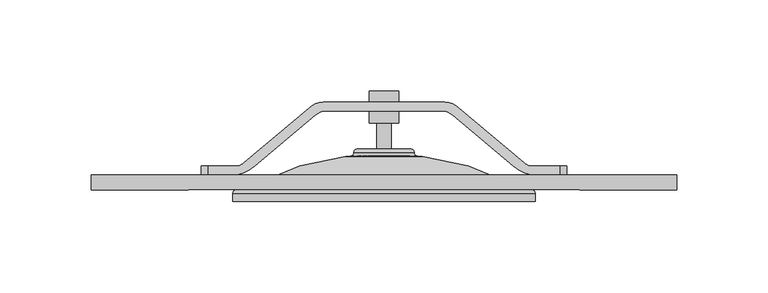
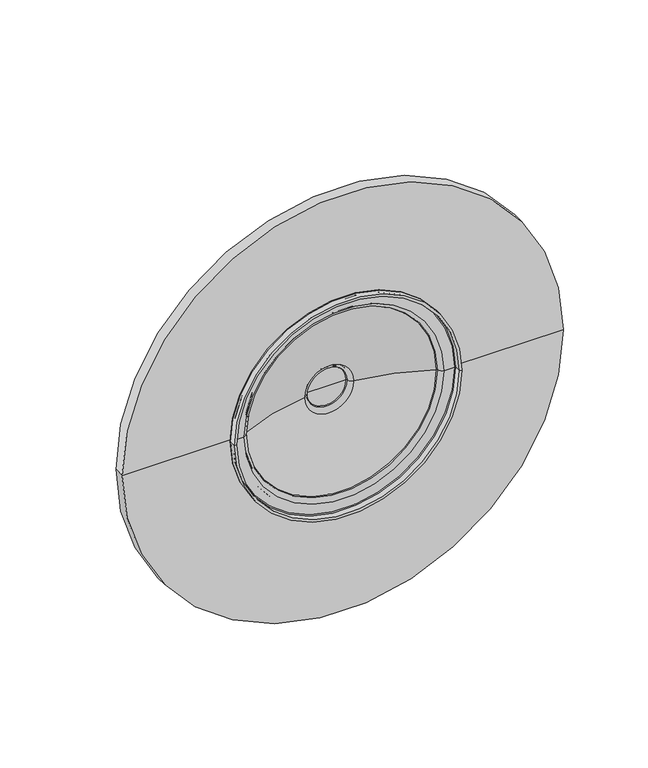
"""IFC4 building model written with IfcOpenShell, lengths in millimetres: proxy geometry."""

from ifc_helpers import new_model, si_unit, point, frame, origin, place, context, project, spatial, polyline, circle_curve, ellipse_curve, trimmed, source, transform, mapped, element, save
from ifc_brep_helpers import plane_surface, cylinder_surface, revolved_surface, advanced_brep


def mechanical_equipment_0198ac86(model_context):
    return source(origin(), model_context, "Body", "AdvancedBrep", [
        advanced_brep(
        [(44.3795006, 108.0, 2510.0), (54.2298211, 113.0, 2510.0), (87.44309, 140.8692417, 2510.0), (91.8102497, 143.0, 2510.0), (125.0, 143.0, 2510.0), (158.1897503, 143.0, 2510.0), (162.55691, 140.8692417, 2510.0), (195.7701789, 113.0, 2510.0), (205.6204994, 108.0, 2510.0), (221.2200072, 108.0, 2510.0), (221.2200072, 113.0, 2510.0), (205.6204994, 113.0, 2510.0), (201.5540671, 114.8851429, 2510.0), (165.874925, 144.8234979, 2510.0), (158.1897503, 148.0, 2510.0), (125.0, 148.0, 2510.0), (91.8102497, 148.0, 2510.0), (84.125075, 144.8234979, 2510.0), (48.4459329, 114.8851429, 2510.0), (44.3795006, 113.0, 2510.0), (28.7799928, 113.0, 2510.0), (28.7799928, 108.0, 2510.0), (44.3795006, 113.0, 2490.0), (48.4459329, 114.8851429, 2490.0), (84.125075, 144.8234979, 2490.0), (91.8102497, 148.0, 2490.0), (125.0, 148.0, 2490.0), (158.1897503, 148.0, 2490.0), (165.874925, 144.8234979, 2490.0), (201.5540671, 114.8851429, 2490.0), (205.6204994, 113.0, 2490.0), (221.2200072, 113.0, 2490.0), (221.2200072, 108.0, 2490.0), (205.6204994, 108.0, 2490.0), (195.7701789, 113.0, 2490.0), (162.55691, 140.8692417, 2490.0), (158.1897503, 143.0, 2490.0), (125.0, 143.0, 2490.0), (91.8102497, 143.0, 2490.0), (87.44309, 140.8692417, 2490.0), (54.2298211, 113.0, 2490.0), (44.3795006, 108.0, 2490.0), (28.7799928, 108.0, 2490.0), (28.7799928, 113.0, 2490.0), (25.0, 108.0, 2506.2200072), (25.0, 108.0, 2493.7799928), (225.0, 108.0, 2493.7799928), (225.0, 108.0, 2506.2200072), (225.0, 113.0, 2493.7799928), (225.0, 113.0, 2506.2200072), (25.0, 113.0, 2493.7799928), (25.0, 113.0, 2506.2200072)],
        [
            (0, 1, circle_curve(frame((38.5511411, 131.6851233, 2510.0), z_axis=(0.0, 0.0, 1.0), x_axis=(1.0, 0.0, 0.0)), 24.3916961)),
            (1, 2),
            (2, 3, circle_curve(frame((93.9022065, 133.1715663, 2510.0), z_axis=(0.0, 0.0, -1.0), x_axis=(1.0, 0.0, 0.0)), 10.0486015)),
            (3, 4),
            (4, 5),
            (5, 6, circle_curve(frame((156.0977935, 133.1715663, 2510.0), z_axis=(0.0, 0.0, -1.0), x_axis=(-1.0, 0.0, 0.0)), 10.0486015)),
            (6, 7),
            (7, 8, circle_curve(frame((211.4488589, 131.6851233, 2510.0), z_axis=(0.0, 0.0, 1.0), x_axis=(-1.0, 0.0, 0.0)), 24.3916961)),
            (8, 9),
            (9, 10),
            (10, 11),
            (11, 12, circle_curve(frame((205.6204994, 118.3284116, 2510.0), z_axis=(0.0, 0.0, -1.0), x_axis=(-1.0, 0.0, 0.0)), 5.3284116)),
            (12, 13),
            (13, 14, circle_curve(frame((158.1897503, 137.115059, 2510.0), z_axis=(0.0, 0.0, 1.0), x_axis=(-1.0, 0.0, 0.0)), 10.884941)),
            (14, 15),
            (15, 16),
            (16, 17, circle_curve(frame((91.8102497, 137.115059, 2510.0), z_axis=(0.0, 0.0, 1.0), x_axis=(1.0, 0.0, 0.0)), 10.884941)),
            (17, 18),
            (18, 19, circle_curve(frame((44.3795006, 118.3284116, 2510.0), z_axis=(0.0, 0.0, -1.0), x_axis=(1.0, 0.0, 0.0)), 5.3284116)),
            (19, 20),
            (20, 21),
            (21, 0),
            (22, 23, circle_curve(frame((44.3795006, 118.3284116, 2490.0), z_axis=(0.0, 0.0, 1.0), x_axis=(1.0, 0.0, 0.0)), 5.3284116)),
            (23, 24),
            (24, 25, circle_curve(frame((91.8102497, 137.115059, 2490.0), z_axis=(0.0, 0.0, -1.0), x_axis=(1.0, 0.0, 0.0)), 10.884941)),
            (25, 26),
            (26, 27),
            (27, 28, circle_curve(frame((158.1897503, 137.115059, 2490.0), z_axis=(0.0, 0.0, -1.0), x_axis=(-1.0, 0.0, 0.0)), 10.884941)),
            (28, 29),
            (29, 30, circle_curve(frame((205.6204994, 118.3284116, 2490.0), z_axis=(0.0, 0.0, 1.0), x_axis=(-1.0, 0.0, 0.0)), 5.3284116)),
            (30, 31),
            (31, 32),
            (32, 33),
            (33, 34, circle_curve(frame((211.4488589, 131.6851233, 2490.0), z_axis=(0.0, 0.0, -1.0), x_axis=(-1.0, 0.0, 0.0)), 24.3916961)),
            (34, 35),
            (35, 36, circle_curve(frame((156.0977935, 133.1715663, 2490.0), z_axis=(0.0, 0.0, 1.0), x_axis=(-1.0, 0.0, 0.0)), 10.0486015)),
            (36, 37),
            (37, 38),
            (38, 39, circle_curve(frame((93.9022065, 133.1715663, 2490.0), z_axis=(0.0, 0.0, 1.0), x_axis=(1.0, 0.0, 0.0)), 10.0486015)),
            (39, 40),
            (40, 41, circle_curve(frame((38.5511411, 131.6851233, 2490.0), z_axis=(0.0, 0.0, -1.0), x_axis=(1.0, 0.0, 0.0)), 24.3916961)),
            (41, 42),
            (42, 43),
            (43, 22),
            (41, 0),
            (21, 44, circle_curve(frame((28.7799928, 108.0, 2506.2200072), z_axis=(0.0, -1.0, 0.0), x_axis=(1.0, 0.0, 0.0)), 3.7799928)),
            (44, 45),
            (45, 42, circle_curve(frame((28.7799928, 108.0, 2493.7799928), z_axis=(0.0, -1.0, 0.0), x_axis=(1.0, 0.0, 0.0)), 3.7799928)),
            (40, 1),
            (39, 2),
            (38, 3),
            (37, 4),
            (36, 5),
            (35, 6),
            (34, 7),
            (33, 8),
            (32, 46, circle_curve(frame((221.2200072, 108.0, 2493.7799928), z_axis=(0.0, -1.0, 0.0), x_axis=(-1.0, 0.0, 0.0)), 3.7799928)),
            (46, 47),
            (47, 9, circle_curve(frame((221.2200072, 108.0, 2506.2200072), z_axis=(0.0, -1.0, 0.0), x_axis=(-1.0, 0.0, 0.0)), 3.7799928)),
            (46, 48),
            (48, 49),
            (49, 47),
            (30, 11),
            (10, 49, circle_curve(frame((221.2200072, 113.0, 2506.2200072), z_axis=(0.0, 1.0, 0.0), x_axis=(-1.0, 0.0, 0.0)), 3.7799928)),
            (48, 31, circle_curve(frame((221.2200072, 113.0, 2493.7799928), z_axis=(0.0, 1.0, 0.0), x_axis=(-1.0, 0.0, 0.0)), 3.7799928)),
            (29, 12),
            (28, 13),
            (27, 14),
            (26, 15),
            (25, 16),
            (24, 17),
            (23, 18),
            (22, 19),
            (43, 50, circle_curve(frame((28.7799928, 113.0, 2493.7799928), z_axis=(0.0, 1.0, 0.0), x_axis=(1.0, 0.0, 0.0)), 3.7799928)),
            (50, 51),
            (51, 20, circle_curve(frame((28.7799928, 113.0, 2506.2200072), z_axis=(0.0, 1.0, 0.0), x_axis=(1.0, 0.0, 0.0)), 3.7799928)),
            (44, 51),
            (50, 45),
        ],
        [
            plane_surface(frame((25.0, 108.0, 2510.0), z_axis=(0.0, 0.0, 1.0), x_axis=(1.0, 0.0, 0.0))),
            plane_surface(frame((25.0, 108.0, 2490.0), z_axis=(0.0, 0.0, -1.0), x_axis=(-1.0, 0.0, 0.0))),
            plane_surface(frame((25.0, 108.0, 2510.0), z_axis=(0.0, -1.0, 0.0), x_axis=(0.0, 0.0, -1.0))),
            cylinder_surface(frame((38.5511411, 131.6851233, 2490.0), z_axis=(0.0, 0.0, 1.0), x_axis=(1.0, 0.0, 0.0)), 24.3916961),
            plane_surface(frame((54.2298211, 113.0, 2510.0), z_axis=(0.6427876096865391, -0.7660444431189783, 0.0), x_axis=(0.0, 0.0, -1.0))),
            revolved_surface(polyline([(103.95080800000001, 133.1715663, 2490.0), (103.95080800000001, 133.1715663, 2510.0)]), (93.9022065, 133.1715663, 2490.0), (0.0, 0.0, -1.0)),
            plane_surface(frame((91.8102497, 143.0, 2510.0), z_axis=(0.0, -1.0, 0.0), x_axis=(0.0, 0.0, -1.0))),
            plane_surface(frame((125.0, 143.0, 2510.0), z_axis=(0.0, -1.0, 0.0), x_axis=(0.0, 0.0, -1.0))),
            revolved_surface(polyline([(146.049192, 133.1715663, 2490.0), (146.049192, 133.1715663, 2510.0)]), (156.0977935, 133.1715663, 2490.0), (0.0, 0.0, -1.0)),
            plane_surface(frame((162.55691, 140.8692417, 2510.0), z_axis=(-0.6427876096865387, -0.7660444431189786, 0.0), x_axis=(0.0, 0.0, -1.0))),
            cylinder_surface(frame((211.4488589, 131.6851233, 2490.0), z_axis=(0.0, 0.0, 1.0), x_axis=(-1.0, 0.0, 0.0)), 24.3916961),
            plane_surface(frame((205.6204994, 108.0, 2510.0), z_axis=(0.0, -1.0, 0.0), x_axis=(0.0, 0.0, -1.0))),
            plane_surface(frame((225.0, 108.0, 2510.0), z_axis=(1.0, 0.0, 0.0), x_axis=(0.0, 0.0, -1.0))),
            plane_surface(frame((225.0, 113.0, 2510.0), z_axis=(0.0, 1.0, 0.0), x_axis=(0.0, 0.0, -1.0))),
            revolved_surface(polyline([(200.2920878, 118.3284116, 2490.0), (200.2920878, 118.3284116, 2510.0)]), (205.6204994, 118.3284116, 2490.0), (0.0, 0.0, -1.0)),
            plane_surface(frame((201.5540671, 114.8851429, 2510.0), z_axis=(0.6427876096865414, 0.7660444431189763, 0.0), x_axis=(0.0, 0.0, -1.0))),
            cylinder_surface(frame((158.1897503, 137.115059, 2490.0), z_axis=(0.0, 0.0, 1.0), x_axis=(-1.0, 0.0, 0.0)), 10.884941),
            plane_surface(frame((158.1897503, 148.0, 2510.0), z_axis=(0.0, 1.0, 0.0), x_axis=(0.0, 0.0, -1.0))),
            plane_surface(frame((125.0, 148.0, 2510.0), z_axis=(0.0, 1.0, 0.0), x_axis=(0.0, 0.0, -1.0))),
            cylinder_surface(frame((91.8102497, 137.115059, 2490.0), z_axis=(0.0, 0.0, 1.0), x_axis=(1.0, 0.0, 0.0)), 10.884941),
            plane_surface(frame((84.125075, 144.8234979, 2510.0), z_axis=(-0.6427876096865359, 0.766044443118981, 0.0), x_axis=(0.0, 0.0, -1.0))),
            revolved_surface(polyline([(49.7079122, 118.3284116, 2490.0), (49.7079122, 118.3284116, 2510.0)]), (44.3795006, 118.3284116, 2490.0), (0.0, 0.0, -1.0)),
            plane_surface(frame((44.3795006, 113.0, 2510.0), z_axis=(0.0, 1.0, 0.0), x_axis=(0.0, 0.0, -1.0))),
            plane_surface(frame((25.0, 113.0, 2510.0), z_axis=(-1.0, 0.0, 0.0), x_axis=(0.0, 0.0, -1.0))),
            cylinder_surface(frame((28.7799928, 108.0, 2493.7799928), z_axis=(0.0, -1.0, 0.0), x_axis=(1.0, 0.0, 0.0)), 3.7799928),
            cylinder_surface(frame((28.7799928, 93.5, 2506.2200072), z_axis=(0.0, -1.0, 0.0), x_axis=(1.0, 0.0, 0.0)), 3.7799928),
            cylinder_surface(frame((221.2200072, 93.5, 2493.7799928), z_axis=(0.0, -1.0, 0.0), x_axis=(-1.0, 0.0, 0.0)), 3.7799928),
            cylinder_surface(frame((221.2200072, 93.5, 2506.2200072), z_axis=(0.0, -1.0, 0.0), x_axis=(-1.0, 0.0, 0.0)), 3.7799928),
        ],
        [
            (0, [[1, 2, 3, 4, 5, 6, 7, 8, 9, 10, 11, 12, 13, 14, 15, 16, 17, 18, 19, 20, 21, 22]]),
            (1, [[23, 24, 25, 26, 27, 28, 29, 30, 31, 32, 33, 34, 35, 36, 37, 38, 39, 40, 41, 42, 43, 44]]),
            (2, [[45, -22, 46, 47, 48, -42]]),
            (3, [[-1, -45, -41, 49]]),
            (4, [[-2, -49, -40, 50]]),
            (5, [[-3, -50, -39, 51]]),
            (6, [[-4, -51, -38, 52]]),
            (7, [[-5, -52, -37, 53]]),
            (8, [[-6, -53, -36, 54]]),
            (9, [[-7, -54, -35, 55]]),
            (10, [[-8, -55, -34, 56]]),
            (11, [[-56, -33, 57, 58, 59, -9]]),
            (12, [[-58, 60, 61, 62]]),
            (13, [[63, -11, 64, -61, 65, -31]]),
            (14, [[-12, -63, -30, 66]]),
            (15, [[-13, -66, -29, 67]]),
            (16, [[-14, -67, -28, 68]]),
            (17, [[-15, -68, -27, 69]]),
            (18, [[-16, -69, -26, 70]]),
            (19, [[-17, -70, -25, 71]]),
            (20, [[-18, -71, -24, 72]]),
            (21, [[-19, -72, -23, 73]]),
            (22, [[-73, -44, 74, 75, 76, -20]]),
            (23, [[-47, 77, -75, 78]]),
            (24, [[-43, -48, -78, -74]]),
            (25, [[-21, -76, -77, -46]]),
            (26, [[-32, -65, -60, -57]]),
            (27, [[-10, -59, -62, -64]]),
        ],
    ),
        advanced_brep(
        [(207.7271571, 93.5, 2500.0), (42.2728429, 93.5, 2500.0), (42.2728429, 97.7728429, 2500.0), (207.7271571, 97.7728429, 2500.0), (205.9367462, 93.5, 2500.0), (44.0632538, 93.5, 2500.0), (205.9367462, 97.9071057, 2500.0), (44.0632538, 97.9071057, 2500.0), (205.3438519, 98.5, 2500.0), (44.6561481, 98.5, 2500.0), (197.7785514, 98.5, 2500.0), (52.2214486, 98.5, 2500.0), (194.5390342, 101.1233093, 2500.0), (55.4609658, 101.1233093, 2500.0), (194.110594, 101.9290881, 2500.0), (55.889406, 101.9290881, 2500.0), (143.1174907, 117.056758, 2500.0), (106.8825093, 117.056758, 2500.0), (139.9690463, 120.2052024, 2500.0), (110.0309537, 120.2052024, 2500.0), (139.3942487, 120.78, 2500.0), (110.6057513, 120.78, 2500.0), (125.0, 120.78, 2500.0), (139.6388233, 122.2731901, 2500.0), (110.3611767, 122.2731901, 2500.0), (120.9566338, 122.2731901, 2500.0), (129.0433662, 122.2731901, 2500.0), (141.5029828, 120.4090307, 2500.0), (108.4970172, 120.4090307, 2500.0), (143.1991524, 118.522856, 2500.0), (106.8008476, 118.522856, 2500.0), (145.9642188, 118.2410596, 2500.0), (104.0357812, 118.2410596, 2500.0), (194.877574, 103.206216, 2500.0), (55.122426, 103.206216, 2500.0), (196.1038029, 101.6367146, 2500.0), (53.8961971, 101.6367146, 2500.0), (198.0543634, 100.0, 2500.0), (51.9456366, 100.0, 2500.0), (200.0, 100.0, 2500.0), (50.0, 100.0, 2500.0), (200.0, 108.0, 2500.0), (50.0, 108.0, 2500.0), (285.0, 108.0, 2500.0), (-35.0, 108.0, 2500.0), (285.0, 100.0, 2500.0), (-35.0, 100.0, 2500.0), (205.5, 100.0, 2500.0), (44.5, 100.0, 2500.0), (133.0867323, 136.6576943, 2500.0), (116.9132677, 136.6576943, 2500.0), (116.9132677, 153.9, 2500.0), (133.0867323, 153.9, 2500.0), (129.0433662, 136.6576943, 2500.0), (120.9566338, 136.6576943, 2500.0), (125.0, 153.9, 2500.0)],
        [
            (0, 1, circle_curve(frame((125.0, 93.5, 2500.0), z_axis=(0.0, 1.0, 0.0), x_axis=(-1.0, 0.0, 0.0)), 82.7271571)),
            (1, 2),
            (2, 3, circle_curve(frame((125.0, 97.7728429, 2500.0), z_axis=(0.0, -1.0, 0.0), x_axis=(-1.0, 0.0, 0.0)), 82.7271571)),
            (3, 0),
            (1, 0, circle_curve(frame((125.0, 93.5, 2500.0), z_axis=(0.0, 1.0, 0.0), x_axis=(-1.0, 0.0, 0.0)), 82.7271571)),
            (3, 2, circle_curve(frame((125.0, 97.7728429, 2500.0), z_axis=(0.0, -1.0, 0.0), x_axis=(-1.0, 0.0, 0.0)), 82.7271571)),
            (0, 4),
            (4, 5, circle_curve(frame((125.0, 93.5, 2500.0), z_axis=(0.0, 1.0, 0.0), x_axis=(-1.0, 0.0, 0.0)), 80.9367462)),
            (5, 1),
            (5, 4, circle_curve(frame((125.0, 93.5, 2500.0), z_axis=(0.0, 1.0, 0.0), x_axis=(-1.0, 0.0, 0.0)), 80.9367462)),
            (4, 6),
            (6, 7, circle_curve(frame((125.0, 97.9071057, 2500.0), z_axis=(0.0, 1.0, 0.0), x_axis=(-1.0, 0.0, 0.0)), 80.9367462)),
            (7, 5),
            (7, 6, circle_curve(frame((125.0, 97.9071057, 2500.0), z_axis=(0.0, 1.0, 0.0), x_axis=(-1.0, 0.0, 0.0)), 80.9367462)),
            (6, 8, circle_curve(frame((205.3438519, 97.9071057, 2500.0), z_axis=(0.0, 0.0, 1.0), x_axis=(-1.0, 0.0, 0.0)), 0.5928943)),
            (8, 9, circle_curve(frame((125.0, 98.5, 2500.0), z_axis=(0.0, 1.0, 0.0), x_axis=(-1.0, 0.0, 0.0)), 80.3438519)),
            (9, 7, circle_curve(frame((44.6561481, 97.9071057, 2500.0), z_axis=(0.0, 0.0, 1.0), x_axis=(1.0, 0.0, 0.0)), 0.5928943)),
            (9, 8, circle_curve(frame((125.0, 98.5, 2500.0), z_axis=(0.0, 1.0, 0.0), x_axis=(-1.0, 0.0, 0.0)), 80.3438519)),
            (8, 10),
            (10, 11, circle_curve(frame((125.0, 98.5, 2500.0), z_axis=(0.0, 1.0, 0.0), x_axis=(-1.0, 0.0, 0.0)), 72.7785514)),
            (11, 9),
            (11, 10, circle_curve(frame((125.0, 98.5, 2500.0), z_axis=(0.0, 1.0, 0.0), x_axis=(-1.0, 0.0, 0.0)), 72.7785514)),
            (10, 12, circle_curve(frame((197.9467336, 102.0195777, 2500.0), z_axis=(0.0, 0.0, -1.0), x_axis=(-1.0, 0.0, 0.0)), 3.5235937)),
            (12, 13, circle_curve(frame((125.0, 101.1233093, 2500.0), z_axis=(0.0, 1.0, 0.0), x_axis=(-1.0, 0.0, 0.0)), 69.5390342)),
            (13, 11, circle_curve(frame((52.0532664, 102.0195777, 2500.0), z_axis=(0.0, 0.0, -1.0), x_axis=(1.0, 0.0, 0.0)), 3.5235937)),
            (13, 12, circle_curve(frame((125.0, 101.1233093, 2500.0), z_axis=(0.0, 1.0, 0.0), x_axis=(-1.0, 0.0, 0.0)), 69.5390342)),
            (12, 14, circle_curve(frame((193.7458269, 101.2183458, 2500.0), z_axis=(0.0, 0.0, 1.0), x_axis=(-1.0, 0.0, 0.0)), 0.7988803)),
            (14, 15, circle_curve(frame((125.0, 101.9290881, 2500.0), z_axis=(0.0, 1.0, 0.0), x_axis=(-1.0, 0.0, 0.0)), 69.110594)),
            (15, 13, circle_curve(frame((56.2541731, 101.2183458, 2500.0), z_axis=(0.0, 0.0, 1.0), x_axis=(1.0, 0.0, 0.0)), 0.7988803)),
            (15, 14, circle_curve(frame((125.0, 101.9290881, 2500.0), z_axis=(0.0, 1.0, 0.0), x_axis=(-1.0, 0.0, 0.0)), 69.110594)),
            (14, 16, circle_curve(frame((128.3688639, -26.1675298, 2500.0), z_axis=(0.0, 0.0, 1.0), x_axis=(-1.0, 0.0, 0.0)), 143.9816606)),
            (16, 17, circle_curve(frame((125.0, 117.056758, 2500.0), z_axis=(0.0, 1.0, 0.0), x_axis=(-1.0, 0.0, 0.0)), 18.1174907)),
            (17, 15, circle_curve(frame((121.6311361, -26.1675298, 2500.0), z_axis=(0.0, 0.0, 1.0), x_axis=(1.0, 0.0, 0.0)), 143.9816606)),
            (17, 16, circle_curve(frame((125.0, 117.056758, 2500.0), z_axis=(0.0, 1.0, 0.0), x_axis=(-1.0, 0.0, 0.0)), 18.1174907)),
            (16, 18, circle_curve(frame((143.1174907, 120.2052024, 2500.0), z_axis=(0.0, 0.0, -1.0), x_axis=(-1.0, 0.0, 0.0)), 3.1484444)),
            (18, 19, circle_curve(frame((125.0, 120.2052024, 2500.0), z_axis=(0.0, 1.0, 0.0), x_axis=(-1.0, 0.0, 0.0)), 14.9690463)),
            (19, 17, circle_curve(frame((106.8825093, 120.2052024, 2500.0), z_axis=(0.0, 0.0, -1.0), x_axis=(1.0, 0.0, 0.0)), 3.1484444)),
            (19, 18, circle_curve(frame((125.0, 120.2052024, 2500.0), z_axis=(0.0, 1.0, 0.0), x_axis=(-1.0, 0.0, 0.0)), 14.9690463)),
            (18, 20, circle_curve(frame((139.3942487, 120.2052024, 2500.0), z_axis=(0.0, 0.0, 1.0), x_axis=(-1.0, 0.0, 0.0)), 0.5747976)),
            (20, 21, circle_curve(frame((125.0, 120.78, 2500.0), z_axis=(0.0, 1.0, 0.0), x_axis=(-1.0, 0.0, 0.0)), 14.3942487)),
            (21, 19, circle_curve(frame((110.6057513, 120.2052024, 2500.0), z_axis=(0.0, 0.0, 1.0), x_axis=(1.0, 0.0, 0.0)), 0.5747976)),
            (21, 20, circle_curve(frame((125.0, 120.78, 2500.0), z_axis=(0.0, 1.0, 0.0), x_axis=(-1.0, 0.0, 0.0)), 14.3942487)),
            (20, 22),
            (22, 21),
            (23, 24, circle_curve(frame((125.0, 122.2731901, 2500.0), z_axis=(0.0, 1.0, 0.0), x_axis=(-1.0, 0.0, 0.0)), 14.6388233)),
            (24, 25),
            (25, 26, circle_curve(frame((125.0, 122.2731901, 2500.0), z_axis=(0.0, -1.0, 0.0), x_axis=(-1.0, 0.0, 0.0)), 4.0433662)),
            (26, 23),
            (24, 23, circle_curve(frame((125.0, 122.2731901, 2500.0), z_axis=(0.0, 1.0, 0.0), x_axis=(-1.0, 0.0, 0.0)), 14.6388233)),
            (26, 25, circle_curve(frame((125.0, 122.2731901, 2500.0), z_axis=(0.0, -1.0, 0.0), x_axis=(-1.0, 0.0, 0.0)), 4.0433662)),
            (23, 27, circle_curve(frame((139.6388233, 120.4090307, 2500.0), z_axis=(0.0, 0.0, -1.0), x_axis=(-1.0, 0.0, 0.0)), 1.8641595)),
            (27, 28, circle_curve(frame((125.0, 120.4090307, 2500.0), z_axis=(0.0, 1.0, 0.0), x_axis=(-1.0, 0.0, 0.0)), 16.5029828)),
            (28, 24, circle_curve(frame((110.3611767, 120.4090307, 2500.0), z_axis=(0.0, 0.0, -1.0), x_axis=(1.0, 0.0, 0.0)), 1.8641595)),
            (28, 27, circle_curve(frame((125.0, 120.4090307, 2500.0), z_axis=(0.0, 1.0, 0.0), x_axis=(-1.0, 0.0, 0.0)), 16.5029828)),
            (27, 29, circle_curve(frame((143.3997997, 120.4090307, 2500.0), z_axis=(0.0, 0.0, 1.0), x_axis=(-1.0, 0.0, 0.0)), 1.8968169)),
            (29, 30, circle_curve(frame((125.0, 118.522856, 2500.0), z_axis=(0.0, 1.0, 0.0), x_axis=(-1.0, 0.0, 0.0)), 18.1991524)),
            (30, 28, circle_curve(frame((106.6002003, 120.4090307, 2500.0), z_axis=(0.0, 0.0, 1.0), x_axis=(1.0, 0.0, 0.0)), 1.8968169)),
            (30, 29, circle_curve(frame((125.0, 118.522856, 2500.0), z_axis=(0.0, 1.0, 0.0), x_axis=(-1.0, 0.0, 0.0)), 18.1991524)),
            (29, 31, circle_curve(frame((176.4809645, 431.386753, 2500.0), z_axis=(0.0, 0.0, 1.0), x_axis=(-1.0, 0.0, 0.0)), 314.6291421)),
            (31, 32, circle_curve(frame((125.0, 118.2410596, 2500.0), z_axis=(0.0, 1.0, 0.0), x_axis=(-1.0, 0.0, 0.0)), 20.9642188)),
            (32, 30, circle_curve(frame((73.5190355, 431.386753, 2500.0), z_axis=(0.0, 0.0, 1.0), x_axis=(1.0, 0.0, 0.0)), 314.6291421)),
            (32, 31, circle_curve(frame((125.0, 118.2410596, 2500.0), z_axis=(0.0, 1.0, 0.0), x_axis=(-1.0, 0.0, 0.0)), 20.9642188)),
            (31, 33, circle_curve(frame((131.9555378, -14.4169888, 2500.0), z_axis=(0.0, 0.0, -1.0), x_axis=(-1.0, 0.0, 0.0)), 133.3956557)),
            (33, 34, circle_curve(frame((125.0, 103.206216, 2500.0), z_axis=(0.0, 1.0, 0.0), x_axis=(-1.0, 0.0, 0.0)), 69.877574)),
            (34, 32, circle_curve(frame((118.0444622, -14.4169888, 2500.0), z_axis=(0.0, 0.0, -1.0), x_axis=(1.0, 0.0, 0.0)), 133.3956557)),
            (34, 33, circle_curve(frame((125.0, 103.206216, 2500.0), z_axis=(0.0, 1.0, 0.0), x_axis=(-1.0, 0.0, 0.0)), 69.877574)),
            (33, 35, circle_curve(frame((194.0147871, 101.2683648, 2500.0), z_axis=(0.0, 0.0, -1.0), x_axis=(-1.0, 0.0, 0.0)), 2.1212422)),
            (35, 36, circle_curve(frame((125.0, 101.6367146, 2500.0), z_axis=(0.0, 1.0, 0.0), x_axis=(-1.0, 0.0, 0.0)), 71.1038029)),
            (36, 34, circle_curve(frame((55.9852129, 101.2683648, 2500.0), z_axis=(0.0, 0.0, -1.0), x_axis=(1.0, 0.0, 0.0)), 2.1212422)),
            (36, 35, circle_curve(frame((125.0, 101.6367146, 2500.0), z_axis=(0.0, 1.0, 0.0), x_axis=(-1.0, 0.0, 0.0)), 71.1038029)),
            (35, 37, circle_curve(frame((198.0543634, 101.9806511, 2500.0), z_axis=(0.0, 0.0, 1.0), x_axis=(-1.0, 0.0, 0.0)), 1.9806511)),
            (37, 38, circle_curve(frame((125.0, 100.0, 2500.0), z_axis=(0.0, 1.0, 0.0), x_axis=(-1.0, 0.0, 0.0)), 73.0543634)),
            (38, 36, circle_curve(frame((51.9456366, 101.9806511, 2500.0), z_axis=(0.0, 0.0, 1.0), x_axis=(1.0, 0.0, 0.0)), 1.9806511)),
            (38, 37, circle_curve(frame((125.0, 100.0, 2500.0), z_axis=(0.0, 1.0, 0.0), x_axis=(-1.0, 0.0, 0.0)), 73.0543634)),
            (37, 39),
            (39, 40, circle_curve(frame((125.0, 100.0, 2500.0), z_axis=(0.0, 1.0, 0.0), x_axis=(-1.0, 0.0, 0.0)), 75.0)),
            (40, 38),
            (40, 39, circle_curve(frame((125.0, 100.0, 2500.0), z_axis=(0.0, 1.0, 0.0), x_axis=(-1.0, 0.0, 0.0)), 75.0)),
            (39, 41),
            (41, 42, circle_curve(frame((125.0, 108.0, 2500.0), z_axis=(0.0, 1.0, 0.0), x_axis=(-1.0, 0.0, 0.0)), 75.0)),
            (42, 40),
            (42, 41, circle_curve(frame((125.0, 108.0, 2500.0), z_axis=(0.0, 1.0, 0.0), x_axis=(-1.0, 0.0, 0.0)), 75.0)),
            (41, 43),
            (43, 44, circle_curve(frame((125.0, 108.0, 2500.0), z_axis=(0.0, 1.0, 0.0), x_axis=(-1.0, 0.0, 0.0)), 160.0)),
            (44, 42),
            (44, 43, circle_curve(frame((125.0, 108.0, 2500.0), z_axis=(0.0, 1.0, 0.0), x_axis=(-1.0, 0.0, 0.0)), 160.0)),
            (43, 45),
            (45, 46, circle_curve(frame((125.0, 100.0, 2500.0), z_axis=(0.0, 1.0, 0.0), x_axis=(-1.0, 0.0, 0.0)), 160.0)),
            (46, 44),
            (46, 45, circle_curve(frame((125.0, 100.0, 2500.0), z_axis=(0.0, 1.0, 0.0), x_axis=(-1.0, 0.0, 0.0)), 160.0)),
            (45, 47),
            (47, 48, circle_curve(frame((125.0, 100.0, 2500.0), z_axis=(0.0, 1.0, 0.0), x_axis=(-1.0, 0.0, 0.0)), 80.5)),
            (48, 46),
            (48, 47, circle_curve(frame((125.0, 100.0, 2500.0), z_axis=(0.0, 1.0, 0.0), x_axis=(-1.0, 0.0, 0.0)), 80.5)),
            (2, 48, circle_curve(frame((44.5, 97.7728429, 2500.0), z_axis=(0.0, 0.0, -1.0), x_axis=(1.0, 0.0, 0.0)), 2.2271571)),
            (47, 3, circle_curve(frame((205.5, 97.7728429, 2500.0), z_axis=(0.0, 0.0, -1.0), x_axis=(-1.0, 0.0, 0.0)), 2.2271571)),
            (49, 50, circle_curve(frame((125.0, 136.6576943, 2500.0), z_axis=(0.0, 1.0, 0.0), x_axis=(-1.0, 0.0, 0.0)), 8.0867323)),
            (50, 51),
            (51, 52, circle_curve(frame((125.0, 153.9, 2500.0), z_axis=(0.0, -1.0, 0.0), x_axis=(-1.0, 0.0, 0.0)), 8.0867323)),
            (52, 49),
            (50, 49, circle_curve(frame((125.0, 136.6576943, 2500.0), z_axis=(0.0, 1.0, 0.0), x_axis=(-1.0, 0.0, 0.0)), 8.0867323)),
            (52, 51, circle_curve(frame((125.0, 153.9, 2500.0), z_axis=(0.0, -1.0, 0.0), x_axis=(-1.0, 0.0, 0.0)), 8.0867323)),
            (49, 53),
            (53, 54, circle_curve(frame((125.0, 136.6576943, 2500.0), z_axis=(0.0, 1.0, 0.0), x_axis=(-1.0, 0.0, 0.0)), 4.0433662)),
            (54, 50),
            (54, 53, circle_curve(frame((125.0, 136.6576943, 2500.0), z_axis=(0.0, 1.0, 0.0), x_axis=(-1.0, 0.0, 0.0)), 4.0433662)),
            (51, 55),
            (55, 52),
            (25, 54),
            (53, 26),
        ],
        [
            cylinder_surface(frame((125.0, 193.5, 2500.0), z_axis=(0.0, -1.0, 0.0), x_axis=(-1.0, 0.0, 0.0)), 82.7271571),
            plane_surface(frame((125.0, 93.5, 2500.0), z_axis=(0.0, -1.0, 0.0), x_axis=(-1.0, 0.0, 0.0))),
            revolved_surface(polyline([(44.0632538, 93.5, 2500.0), (44.0632538, 97.9071057, 2500.0)]), (125.0, 193.5, 2500.0), (0.0, -1.0, 0.0)),
            revolved_surface(trimmed(ellipse_curve(frame((44.6561481, 97.9071057, 2500.0), z_axis=(0.0, 0.0, -1.0), x_axis=(1.0, 0.0, 0.0)), 0.5928943, 0.5928943), [point((44.0632538, 97.9071057, 2500.0))], [point((44.6561481, 98.5, 2500.0))], True, "CARTESIAN"), (125.0, 193.5, 2500.0), (0.0, -1.0, 0.0)),
            plane_surface(frame((125.0, 98.5, 2500.0), z_axis=(0.0, -1.0, 0.0), x_axis=(-1.0, 0.0, 0.0))),
            revolved_surface(trimmed(ellipse_curve(frame((52.0532664, 102.0195777, 2500.0), z_axis=(0.0, 0.0, 1.0), x_axis=(1.0, 0.0, 0.0)), 3.5235937, 3.5235937), [point((52.2214486, 98.5, 2500.0))], [point((55.4609658, 101.1233093, 2500.0))], True, "CARTESIAN"), (125.0, 193.5, 2500.0), (0.0, -1.0, 0.0)),
            revolved_surface(trimmed(ellipse_curve(frame((56.2541731, 101.2183458, 2500.0), z_axis=(0.0, 0.0, -1.0), x_axis=(1.0, 0.0, 0.0)), 0.7988803, 0.7988803), [point((55.4609658, 101.1233093, 2500.0))], [point((55.889406, 101.9290881, 2500.0))], True, "CARTESIAN"), (125.0, 193.5, 2500.0), (0.0, -1.0, 0.0)),
            revolved_surface(trimmed(ellipse_curve(frame((121.6311361, -26.1675298, 2500.0), z_axis=(0.0, 0.0, -1.0), x_axis=(1.0, 0.0, 0.0)), 143.9816606, 143.9816606), [point((55.889406, 101.9290881, 2500.0))], [point((106.8825093, 117.056758, 2500.0))], True, "CARTESIAN"), (125.0, 193.5, 2500.0), (0.0, -1.0, 0.0)),
            revolved_surface(trimmed(ellipse_curve(frame((106.8825093, 120.2052024, 2500.0), z_axis=(0.0, 0.0, 1.0), x_axis=(1.0, 0.0, 0.0)), 3.1484444, 3.1484444), [point((106.8825093, 117.056758, 2500.0))], [point((110.0309537, 120.2052024, 2500.0))], True, "CARTESIAN"), (125.0, 193.5, 2500.0), (0.0, -1.0, 0.0)),
            revolved_surface(trimmed(ellipse_curve(frame((110.6057513, 120.2052024, 2500.0), z_axis=(0.0, 0.0, -1.0), x_axis=(1.0, 0.0, 0.0)), 0.5747976, 0.5747976), [point((110.0309537, 120.2052024, 2500.0))], [point((110.6057513, 120.78, 2500.0))], True, "CARTESIAN"), (125.0, 193.5, 2500.0), (0.0, -1.0, 0.0)),
            plane_surface(frame((125.0, 120.78, 2500.0), z_axis=(0.0, -1.0, 0.0), x_axis=(-1.0, 0.0, 0.0))),
            plane_surface(frame((125.0, 122.2731901, 2500.0), z_axis=(0.0, 1.0, 0.0), x_axis=(-1.0, 0.0, 0.0))),
            revolved_surface(trimmed(ellipse_curve(frame((110.3611767, 120.4090307, 2500.0), z_axis=(0.0, 0.0, 1.0), x_axis=(1.0, 0.0, 0.0)), 1.8641595, 1.8641595), [point((110.3611767, 122.2731901, 2500.0))], [point((108.4970172, 120.4090307, 2500.0))], True, "CARTESIAN"), (125.0, 193.5, 2500.0), (0.0, -1.0, 0.0)),
            revolved_surface(trimmed(ellipse_curve(frame((106.6002003, 120.4090307, 2500.0), z_axis=(0.0, 0.0, -1.0), x_axis=(1.0, 0.0, 0.0)), 1.8968169, 1.8968169), [point((108.4970172, 120.4090307, 2500.0))], [point((106.8008476, 118.522856, 2500.0))], True, "CARTESIAN"), (125.0, 193.5, 2500.0), (0.0, -1.0, 0.0)),
            revolved_surface(trimmed(ellipse_curve(frame((73.5190355, 431.386753, 2500.0), z_axis=(0.0, 0.0, -1.0), x_axis=(1.0, 0.0, 0.0)), 314.6291421, 314.6291421), [point((106.8008476, 118.522856, 2500.0))], [point((104.0357812, 118.2410596, 2500.0))], True, "CARTESIAN"), (125.0, 193.5, 2500.0), (0.0, -1.0, 0.0)),
            revolved_surface(trimmed(ellipse_curve(frame((118.0444622, -14.4169888, 2500.0), z_axis=(0.0, 0.0, 1.0), x_axis=(1.0, 0.0, 0.0)), 133.3956557, 133.3956557), [point((104.0357812, 118.2410596, 2500.0))], [point((55.122426, 103.206216, 2500.0))], True, "CARTESIAN"), (125.0, 193.5, 2500.0), (0.0, -1.0, 0.0)),
            revolved_surface(trimmed(ellipse_curve(frame((55.9852129, 101.2683648, 2500.0), z_axis=(0.0, 0.0, 1.0), x_axis=(1.0, 0.0, 0.0)), 2.1212422, 2.1212422), [point((55.122426, 103.206216, 2500.0))], [point((53.8961971, 101.6367146, 2500.0))], True, "CARTESIAN"), (125.0, 193.5, 2500.0), (0.0, -1.0, 0.0)),
            revolved_surface(trimmed(ellipse_curve(frame((51.9456366, 101.9806511, 2500.0), z_axis=(0.0, 0.0, -1.0), x_axis=(1.0, 0.0, 0.0)), 1.9806511, 1.9806511), [point((53.8961971, 101.6367146, 2500.0))], [point((51.9456366, 100.0, 2500.0))], True, "CARTESIAN"), (125.0, 193.5, 2500.0), (0.0, -1.0, 0.0)),
            plane_surface(frame((125.0, 100.0, 2500.0), z_axis=(0.0, 1.0, 0.0), x_axis=(-1.0, 0.0, 0.0))),
            revolved_surface(polyline([(50.0, 100.0, 2500.0), (50.0, 108.0, 2500.0)]), (125.0, 193.5, 2500.0), (0.0, -1.0, 0.0)),
            plane_surface(frame((125.0, 108.0, 2500.0), z_axis=(0.0, 1.0, 0.0), x_axis=(-1.0, 0.0, 0.0))),
            cylinder_surface(frame((125.0, 193.5, 2500.0), z_axis=(0.0, -1.0, 0.0), x_axis=(-1.0, 0.0, 0.0)), 160.0),
            plane_surface(frame((125.0, 100.0, 2500.0), z_axis=(0.0, -1.0, 0.0), x_axis=(-1.0, 0.0, 0.0))),
            revolved_surface(trimmed(ellipse_curve(frame((44.5, 97.7728429, 2500.0), z_axis=(0.0, 0.0, 1.0), x_axis=(1.0, 0.0, 0.0)), 2.2271571, 2.2271571), [point((44.5, 100.0, 2500.0))], [point((42.2728429, 97.7728429, 2500.0))], True, "CARTESIAN"), (125.0, 193.5, 2500.0), (0.0, -1.0, 0.0)),
            cylinder_surface(frame((125.0, 193.5, 2500.0), z_axis=(0.0, -1.0, 0.0), x_axis=(-1.0, 0.0, 0.0)), 8.0867323),
            plane_surface(frame((125.0, 136.6576943, 2500.0), z_axis=(0.0, -1.0, 0.0), x_axis=(-1.0, 0.0, 0.0))),
            plane_surface(frame((125.0, 153.9, 2500.0), z_axis=(0.0, 1.0, 0.0), x_axis=(-1.0, 0.0, 0.0))),
            cylinder_surface(frame((125.0, 193.5, 2500.0), z_axis=(0.0, -1.0, 0.0), x_axis=(-1.0, 0.0, 0.0)), 4.0433662),
        ],
        [
            (0, [[1, 2, 3, 4]]),
            (0, [[-2, 5, -4, 6]]),
            (1, [[-1, 7, 8, 9]]),
            (1, [[-5, -9, 10, -7]]),
            (2, [[-8, 11, 12, 13]]),
            (2, [[-10, -13, 14, -11]]),
            (3, [[-12, 15, 16, 17]]),
            (3, [[-14, -17, 18, -15]]),
            (4, [[-16, 19, 20, 21]]),
            (4, [[-18, -21, 22, -19]]),
            (5, [[-20, 23, 24, 25]]),
            (5, [[-22, -25, 26, -23]]),
            (6, [[-24, 27, 28, 29]]),
            (6, [[-26, -29, 30, -27]]),
            (7, [[-28, 31, 32, 33]]),
            (7, [[-30, -33, 34, -31]]),
            (8, [[-32, 35, 36, 37]]),
            (8, [[-34, -37, 38, -35]]),
            (9, [[-36, 39, 40, 41]]),
            (9, [[-38, -41, 42, -39]]),
            (10, [[-40, 43, 44]]),
            (10, [[-42, -44, -43]]),
            (11, [[45, 46, 47, 48]]),
            (11, [[-46, 49, -48, 50]]),
            (12, [[-45, 51, 52, 53]]),
            (12, [[-49, -53, 54, -51]]),
            (13, [[-52, 55, 56, 57]]),
            (13, [[-54, -57, 58, -55]]),
            (14, [[-56, 59, 60, 61]]),
            (14, [[-58, -61, 62, -59]]),
            (15, [[-60, 63, 64, 65]]),
            (15, [[-62, -65, 66, -63]]),
            (16, [[-64, 67, 68, 69]]),
            (16, [[-66, -69, 70, -67]]),
            (17, [[-68, 71, 72, 73]]),
            (17, [[-70, -73, 74, -71]]),
            (18, [[-72, 75, 76, 77]]),
            (18, [[-74, -77, 78, -75]]),
            (19, [[-76, 79, 80, 81]]),
            (19, [[-78, -81, 82, -79]]),
            (20, [[-80, 83, 84, 85]]),
            (20, [[-82, -85, 86, -83]]),
            (21, [[-84, 87, 88, 89]]),
            (21, [[-86, -89, 90, -87]]),
            (22, [[-88, 91, 92, 93]]),
            (22, [[-90, -93, 94, -91]]),
            (23, [[-3, 95, -92, 96]]),
            (23, [[-6, -96, -94, -95]]),
            (24, [[97, 98, 99, 100]]),
            (24, [[-98, 101, -100, 102]]),
            (25, [[-97, 103, 104, 105]]),
            (25, [[-101, -105, 106, -103]]),
            (26, [[-99, 107, 108]]),
            (26, [[-102, -108, -107]]),
            (27, [[-47, 109, -104, 110]]),
            (27, [[-50, -110, -106, -109]]),
        ],
    ),
    ])


if __name__ == "__main__":
    model = new_model("IFC4")
    model_context = context("Model", 3, world=origin())
    ifc_project = project(units=[si_unit("LENGTHUNIT", "METRE", prefix="MILLI")], contexts=[model_context])
    site = spatial("IfcSite", under=ifc_project)
    building = spatial("IfcBuilding", under=site)
    placement = place(None, origin())
    mechanical_equipment_shape = mechanical_equipment_0198ac86(model_context)
    element("IfcBuildingElementProxy", 1, Name="Mechanical Equipment", at=placement, inside=building, context=model_context, shape_type="MappedRepresentation", body=[
        mapped(mechanical_equipment_shape, transform((0.0, 0.0, 0.0), x_axis=(1.0, 0.0, 0.0), y_axis=(0.0, 1.0, 0.0), z_axis=(0.0, 0.0, 1.0))),
    ])
    save(model, "model.ifc")
